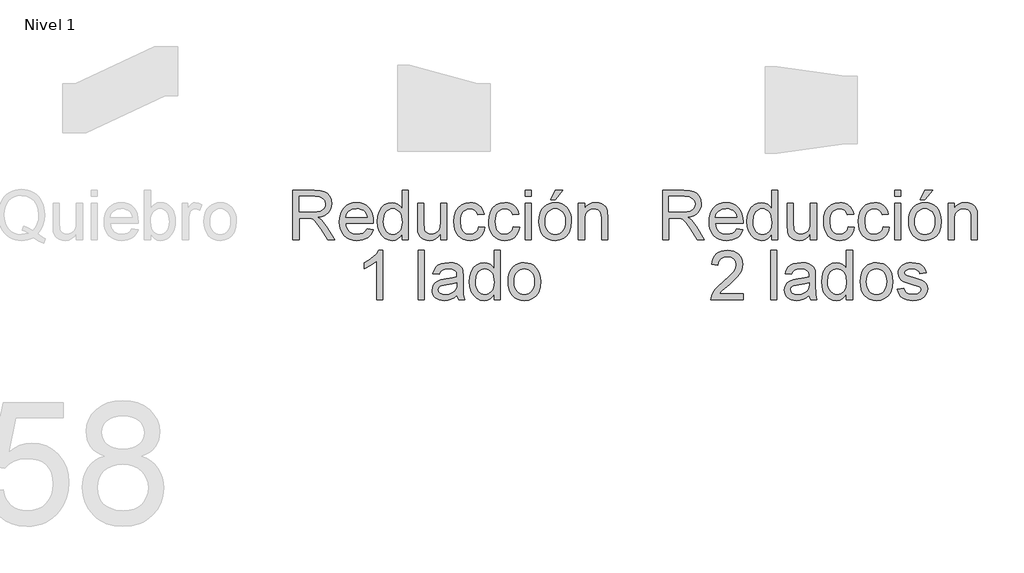
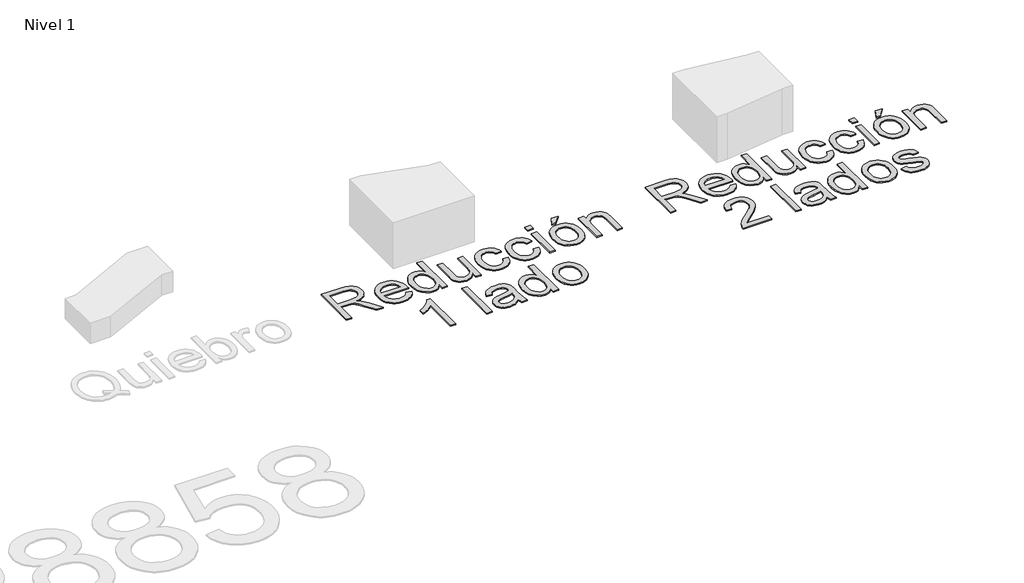
# One storey, part 7 of 8: 2 proxies.
"""IFC4 building model written with IfcOpenShell, lengths in millimetres."""

from ifc_helpers import new_model, si_unit, origin, origin_with_axes, place, context, project, spatial, polyline, outline, extrude, element, save

model = new_model("IFC4")

# Units and contexts
model_context = context("Model", 3, world=origin())
ifc_project = project(units=[si_unit("LENGTHUNIT", "METRE", prefix="MILLI")], contexts=[model_context])

# Site, building, storey
site = spatial("IfcSite", under=ifc_project)
building = spatial("IfcBuilding", under=site)
storey = spatial("IfcBuildingStorey", under=building, Name="Nivel 1", Elevation=0.0)

# Proxies
placement = place(None, origin())
element("IfcBuildingElementProxy", 1, Name="Texto de modelo 1", ObjectType="Texto de modelo 1", at=placement, inside=storey, context=model_context, shape_type="SweptSolid", body=[
    extrude(outline(polyline([(4273.8364183, -4316.3248037), (4273.8364183, -3914.4995631), (4446.9862107, -3914.4995631), (4493.5232831, -3917.2096271), (4527.3806894, -3925.3398192), (4552.126885, -3940.3494046), (4571.3303251, -3963.6976486), (4583.654372, -3992.6499616), (4587.7623876, -4024.4717542), (4586.0609333, -4045.1099341), (4580.9565707, -4064.0558569), (4572.4492995, -4081.3095224), (4560.5391199, -4096.8709308), (4545.0727477, -4110.2434414), (4525.8968987, -4120.9304133), (4503.0115729, -4128.9318467), (4476.4167704, -4134.2477415), (4504.9644132, -4155.7320501), (4545.6766873, -4207.4317331), (4612.6802614, -4316.3248037), (4554.3096515, -4316.3248037), (4502.0213572, -4233.03632), (4464.2521391, -4177.9030716), (4450.2113096, -4161.8266285), (4437.7155845, -4151.8570264), (4413.8277802, -4142.2920945), (4384.6915262, -4140.5262609), (4324.0645734, -4140.5262609), (4324.0645734, -4316.3248037), (4273.8364183, -4316.3248037)]), holes=[polyline([(4324.0645734, -4090.2981059), (4436.4893111, -4090.2981059), (4468.7770876, -4088.5200095), (4493.8298515, -4083.1857206), (4512.6899351, -4073.9396198), (4526.3996708, -4060.4260878), (4534.7505921, -4044.0798645), (4537.5342325, -4026.3356896), (4532.224469, -4001.8347488), (4516.2951786, -3982.0917483), (4504.133613, -3974.4949851), (4488.88797, -3969.0687257), (4449.1444518, -3964.7277182), (4324.0645734, -3964.7277182), (4324.0645734, -4090.2981059)])]), origin_with_axes(), (0.0, 0.0, 1.0), 10.0),
    extrude(outline(polyline([(4875.9856681, -4228.4255323), (4925.2328045, -4234.7040517), (4917.6820265, -4254.428658), (4907.4886296, -4271.8110823), (4894.6526136, -4286.8513245), (4879.1739787, -4299.5493847), (4861.2121403, -4309.6354827), (4840.9265139, -4316.8398385), (4793.3838974, -4322.6033231), (4762.218161, -4320.1170539), (4734.4492018, -4312.6582465), (4710.0770196, -4300.2269007), (4689.1016145, -4282.8230167), (4672.234225, -4260.9309723), (4660.1860897, -4235.0351455), (4652.9572085, -4205.1355363), (4650.5475814, -4171.2321448), (4652.9817339, -4136.179122), (4660.2841915, -4105.2831658), (4672.4549542, -4078.5442761), (4689.494022, -4055.962453), (4710.4142448, -4038.0220743), (4734.2284726, -4025.2075182), (4760.9367054, -4017.5187845), (4790.5389433, -4014.9558732), (4819.1877537, -4017.5126531), (4845.0958432, -4025.1829927), (4868.2632118, -4037.966892), (4888.6898596, -4055.8643511), (4905.3641111, -4078.3971233), (4917.2742906, -4105.0869621), (4924.4203984, -4135.9338674), (4926.8024343, -4170.9378392), (4926.5081287, -4184.4758966), (4700.7757365, -4184.4758966), (4703.6850699, -4204.519334), (4709.4700143, -4222.0734365), (4718.1305696, -4237.1382042), (4729.6667358, -4249.7136371), (4743.4408509, -4259.6280569), (4758.8152526, -4266.7097853), (4794.3649161, -4272.375168), (4821.0976744, -4269.7509431), (4843.6120525, -4261.8782684), (4861.9080504, -4248.2666346), (4875.9856681, -4228.4255323)]), holes=[polyline([(4700.7757365, -4134.2477415), (4876.5742792, -4134.2477415), (4869.7807251, -4107.711187), (4856.4633968, -4088.728476), (4842.7659239, -4078.4277801), (4827.17999, -4071.0701402), (4809.7055953, -4066.6555563), (4790.3427396, -4065.1840283), (4756.4853333, -4069.8806551), (4728.4895135, -4083.9705355), (4709.0285559, -4105.9330907), (4700.7757365, -4134.2477415)])]), origin_with_axes(), (0.0, 0.0, 1.0), 10.0),
    extrude(outline(polyline([(5159.1076515, -4316.3248037), (5159.1076515, -4268.9416027), (5144.079672, -4292.4186054), (5125.8756446, -4309.187893), (5104.4955694, -4319.2494656), (5079.9394462, -4322.6033231), (5047.4677287, -4317.7472807), (5017.7428635, -4303.1791537), (4992.5797351, -4279.9167489), (4973.7932278, -4248.9778731), (4962.0945804, -4211.6133251), (4958.1950312, -4169.0739038), (4961.7880121, -4127.0617799), (4972.5669545, -4089.1208835), (4990.5195959, -4057.4094555), (5015.6336734, -4034.085737), (5046.0084635, -4019.7383392), (5079.7432424, -4014.9558732), (5104.3177597, -4018.3771758), (5126.0473229, -4028.6410835), (5144.4659481, -4044.3741701), (5159.1076515, -4064.2030097), (5159.1076515, -3914.4995631), (5209.3358066, -3914.4995631), (5209.3358066, -4316.3248037), (5159.1076515, -4316.3248037)]), holes=[polyline([(5008.4231863, -4168.8777), (5009.839532, -4193.2345538), (5014.088569, -4214.3111264), (5021.1702974, -4232.1074179), (5031.0847172, -4246.6234283), (5055.7818618, -4265.9372331), (5069.6571444, -4270.7656843), (5084.5502339, -4272.375168), (5099.513834, -4270.8392607), (5113.3063431, -4266.2315387), (5137.3780884, -4247.8006507), (5146.8847723, -4233.8916456), (5153.6752607, -4216.7391476), (5159.1076515, -4172.7036728), (5153.5771589, -4124.5601823), (5146.6640431, -4106.0250612), (5136.9856809, -4091.1810226), (5125.2839678, -4079.8073376), (5112.300799, -4071.6832769), (5098.0361747, -4066.8088405), (5082.4900947, -4065.1840283), (5067.3026996, -4066.7444611), (5053.4274171, -4071.4257595), (5040.8642469, -4079.2279235), (5029.6131892, -4090.1509531), (5020.342563, -4104.4339715), (5013.720687, -4122.3161022), (5008.4231863, -4168.8777)])]), origin_with_axes(), (0.0, 0.0, 1.0), 10.0),
    extrude(outline(polyline([(5473.0336208, -4316.3248037), (5473.0336208, -4265.6061393), (5454.8602502, -4290.5424072), (5433.6947727, -4308.3540271), (5409.5371884, -4319.0409991), (5382.3874971, -4322.6033231), (5357.9233445, -4320.1017255), (5335.151449, -4312.5969328), (5316.0461107, -4301.3152183), (5302.5816297, -4287.4828553), (5293.5194698, -4270.6829108), (5287.6210952, -4250.498452), (5284.6780392, -4203.8019641), (5284.6780392, -4021.2343926), (5334.9061943, -4021.2343926), (5334.9061943, -4180.1594145), (5337.9473521, -4231.3685883), (5345.2682038, -4248.4505756), (5357.8129799, -4261.43681), (5374.7478144, -4269.6405785), (5395.2388415, -4272.375168), (5416.907091, -4269.5792648), (5437.177389, -4261.1915554), (5453.8914943, -4247.9845917), (5464.8911659, -4230.7309262), (5470.9980071, -4207.1006393), (5473.0336208, -4174.763812), (5473.0336208, -4021.2343926), (5523.2617758, -4021.2343926), (5523.2617758, -4316.3248037), (5473.0336208, -4316.3248037)])), origin_with_axes(), (0.0, 0.0, 1.0), 10.0),
    extrude(outline(polyline([(5780.6810706, -4209.5899742), (5830.9092257, -4215.8684935), (5825.446178, -4239.5692911), (5816.9051844, -4260.5416305), (5805.2862447, -4278.7855118), (5790.589359, -4294.3009349), (5773.4337953, -4306.6832297), (5754.4388216, -4315.527726), (5733.6044379, -4320.8344238), (5710.9306443, -4322.6033231), (5682.7600805, -4320.135448), (5657.5019159, -4312.7318229), (5635.1561503, -4300.3924476), (5615.722784, -4283.1173223), (5599.992763, -4261.2314092), (5588.7570337, -4235.059671), (5582.0155961, -4204.6021074), (5579.7684503, -4169.8587187), (5583.6066858, -4125.1610563), (5595.1213922, -4086.4230822), (5614.4965106, -4055.1408499), (5641.915982, -4032.8104127), (5674.7187932, -4019.4195081), (5710.2439312, -4014.9558732), (5732.5283831, -4016.4887149), (5752.6852508, -4021.0872398), (5770.7145342, -4028.7514481), (5786.6162334, -4039.4813396), (5800.1205684, -4053.0316597), (5810.9577588, -4069.1571539), (5819.1278048, -4087.857822), (5824.6307063, -4109.133664), (5774.4025512, -4115.4121834), (5765.2913405, -4093.4986792), (5751.1033582, -4077.790118), (5732.6234193, -4068.3355507), (5710.6363387, -4065.1840283), (5693.5696798, -4066.7352641), (5678.176884, -4071.3889713), (5664.4579513, -4079.14515), (5652.4128816, -4090.0038003), (5642.6057608, -4104.216308), (5635.6006744, -4122.0340593), (5631.3976226, -4143.4570542), (5629.9966054, -4168.4852926), (5635.4780471, -4215.5619252), (5642.3298493, -4233.4992382), (5651.9223723, -4247.7025489), (5663.7283186, -4258.4968197), (5677.2203908, -4266.2070132), (5692.3985888, -4270.8331293), (5709.2629126, -4272.375168), (5735.2721697, -4268.5246698), (5756.5970626, -4256.9731751), (5772.1094201, -4237.4263785), (5780.6810706, -4209.5899742)])), origin_with_axes(), (0.0, 0.0, 1.0), 10.0),
    extrude(outline(polyline([(6063.2144429, -4209.5899742), (6113.442598, -4215.8684935), (6107.9795503, -4239.5692911), (6099.4385567, -4260.5416305), (6087.819617, -4278.7855118), (6073.1227313, -4294.3009349), (6055.9671676, -4306.6832297), (6036.9721939, -4315.527726), (6016.1378102, -4320.8344238), (5993.4640166, -4322.6033231), (5965.2934528, -4320.135448), (5940.0352882, -4312.7318229), (5917.6895226, -4300.3924476), (5898.2561562, -4283.1173223), (5882.5261353, -4261.2314092), (5871.290406, -4235.059671), (5864.5489684, -4204.6021074), (5862.3018226, -4169.8587187), (5866.1400581, -4125.1610563), (5877.6547645, -4086.4230822), (5897.0298829, -4055.1408499), (5924.4493543, -4032.8104127), (5957.2521655, -4019.4195081), (5992.7773035, -4014.9558732), (6015.0617554, -4016.4887149), (6035.2186231, -4021.0872398), (6053.2479065, -4028.7514481), (6069.1496057, -4039.4813396), (6082.6539406, -4053.0316597), (6093.4911311, -4069.1571539), (6101.6611771, -4087.857822), (6107.1640786, -4109.133664), (6056.9359235, -4115.4121834), (6047.8247128, -4093.4986792), (6033.6367305, -4077.790118), (6015.1567916, -4068.3355507), (5993.169711, -4065.1840283), (5976.1030521, -4066.7352641), (5960.7102563, -4071.3889713), (5946.9913236, -4079.14515), (5934.9462539, -4090.0038003), (5925.139133, -4104.216308), (5918.1340467, -4122.0340593), (5913.9309949, -4143.4570542), (5912.5299777, -4168.4852926), (5918.0114194, -4215.5619252), (5924.8632216, -4233.4992382), (5934.4557446, -4247.7025489), (5946.2616909, -4258.4968197), (5959.7537631, -4266.2070132), (5974.9319611, -4270.8331293), (5991.7962849, -4272.375168), (6017.8055419, -4268.5246698), (6039.1304349, -4256.9731751), (6054.6427924, -4237.4263785), (6063.2144429, -4209.5899742)])), origin_with_axes(), (0.0, 0.0, 1.0), 10.0),
    extrude(outline(polyline([(6157.3922337, -3964.7277182), (6157.3922337, -3914.4995631), (6207.6203887, -3914.4995631), (6207.6203887, -3964.7277182), (6157.3922337, -3964.7277182)])), origin_with_axes(), (0.0, 0.0, 1.0), 10.0),
    extrude(outline(polyline([(6157.3922337, -4316.3248037), (6157.3922337, -4021.2343926), (6207.6203887, -4021.2343926), (6207.6203887, -4316.3248037), (6157.3922337, -4316.3248037)])), origin_with_axes(), (0.0, 0.0, 1.0), 10.0),
    extrude(outline(polyline([(6270.4055826, -4168.7795982), (6273.121778, -4130.5627902), (6281.2703642, -4097.6312203), (6294.8513411, -4069.9848884), (6313.8647089, -4047.6237944), (6333.0068354, -4033.3315789), (6354.1355247, -4023.1228535), (6377.2507767, -4016.9976183), (6402.3525915, -4014.9558732), (6430.0633028, -4017.4421424), (6455.1191323, -4024.9009498), (6477.5200802, -4037.3322956), (6497.2661463, -4054.7361797), (6513.3824433, -4076.5239908), (6524.8940841, -4102.1071179), (6531.8010686, -4131.4855609), (6534.1033967, -4164.6593198), (6530.0321693, -4215.4025097), (6517.8184871, -4254.0301192), (6497.8179693, -4282.9579067), (6470.3862351, -4304.6016308), (6437.8041531, -4318.1029), (6402.3525915, -4322.6033231), (6374.23721, -4320.126251), (6348.9483885, -4312.6950347), (6326.4861271, -4300.3096742), (6306.8504256, -4282.9701695), (6290.9058068, -4260.9708262), (6279.5167933, -4234.6059498), (6272.6833853, -4203.8755405), (6270.4055826, -4168.7795982)]), holes=[polyline([(6320.6337376, -4168.6814963), (6322.0868715, -4193.0444814), (6326.4462732, -4214.1394482), (6333.7119426, -4231.9663965), (6343.8838797, -4246.5253265), (6356.2569775, -4257.8346321), (6370.1261287, -4265.9127076), (6385.4913334, -4270.7595529), (6402.3525915, -4272.375168), (6419.1280105, -4270.7503559), (6434.4319015, -4265.8759194), (6448.2642645, -4257.7518587), (6460.6250995, -4246.3781737), (6470.7970367, -4231.6751566), (6478.0627061, -4213.5630997), (6482.4221078, -4192.042003), (6483.8752416, -4167.1118665), (6482.4129107, -4143.5214335), (6478.0259179, -4122.9782898), (6470.7142633, -4105.4824352), (6460.4779467, -4091.0338698), (6448.0711265, -4079.7245642), (6434.2479605, -4071.6464887), (6419.0084488, -4066.7996434), (6402.3525915, -4065.1840283), (6385.4913334, -4066.793512), (6370.1261287, -4071.6219632), (6356.2569775, -4079.6693819), (6343.8838797, -4090.935768), (6333.7119426, -4105.4517784), (6326.4462732, -4123.2480699), (6322.0868715, -4144.3246425), (6320.6337376, -4168.6814963)])]), origin_with_axes(), (0.0, 0.0, 1.0), 10.0),
    extrude(outline(polyline([(6364.5833733, -3989.8417957), (6402.2544896, -3914.4995631), (6465.0396835, -3914.4995631), (6402.2544896, -3989.8417957), (6364.5833733, -3989.8417957)])), origin_with_axes(), (0.0, 0.0, 1.0), 10.0),
    extrude(outline(polyline([(6590.6100712, -4316.3248037), (6590.6100712, -4021.2343926), (6640.8382262, -4021.2343926), (6640.8382262, -4062.4371761), (6658.2880956, -4041.6641061), (6679.2451065, -4026.826199), (6703.7092592, -4017.9234547), (6731.6805536, -4014.9558732), (6756.4390119, -4017.3471062), (6779.1128055, -4024.5208051), (6798.0219401, -4035.5817904), (6811.4864211, -4049.6348827), (6820.6221573, -4066.6432936), (6826.5450574, -4086.570235), (6829.1938078, -4135.1306583), (6829.1938078, -4316.3248037), (6778.9656527, -4316.3248037), (6778.9656527, -4141.899687), (6777.5186502, -4115.9272182), (6773.1776426, -4097.459542), (6765.1700779, -4084.2280529), (6752.7234037, -4073.9641453), (6736.7695879, -4067.3790576), (6718.240598, -4065.1840283), (6688.8223012, -4070.1136471), (6663.7450118, -4084.9025033), (6653.7232931, -4096.9751641), (6646.5649226, -4113.4746716), (6642.2699003, -4134.4010257), (6640.8382262, -4159.7542265), (6640.8382262, -4316.3248037), (6590.6100712, -4316.3248037)])), origin_with_axes(), (0.0, 0.0, 1.0), 10.0),
    extrude(outline(polyline([(5002.1446669, -4804.2240751), (4951.9165119, -4804.2240751), (4951.9165119, -4491.0829208), (4930.9472381, -4508.0422808), (4904.3371071, -4524.9771153), (4851.4602017, -4550.3364475), (4851.4602017, -4502.8551446), (4890.9094143, -4481.3953616), (4925.0856517, -4455.8643511), (4952.0268765, -4428.7146599), (4969.7710514, -4402.3988345), (5002.1446669, -4402.3988345), (5002.1446669, -4804.2240751)])), origin_with_axes(), (0.0, 0.0, 1.0), 10.0),
    extrude(outline(polyline([(5290.9565586, -4804.2240751), (5290.9565586, -4402.3988345), (5341.1847137, -4402.3988345), (5341.1847137, -4804.2240751), (5290.9565586, -4804.2240751)])), origin_with_axes(), (0.0, 0.0, 1.0), 10.0),
    extrude(outline(polyline([(5604.8825278, -4766.5529588), (5580.884359, -4787.129825), (5556.1749517, -4800.5943061), (5530.1902201, -4808.0255224), (5502.3660785, -4810.5025945), (5480.0019189, -4809.0126724), (5460.3907429, -4804.5429061), (5443.5325504, -4797.0932957), (5429.4273416, -4786.6638412), (5418.2897142, -4773.91673), (5410.334266, -4759.5141499), (5405.5609972, -4743.4561008), (5403.9699075, -4725.7425828), (5406.3734032, -4704.9204618), (5413.5838903, -4686.0113273), (5424.7061893, -4669.8245195), (5438.8451207, -4657.1693789), (5455.4611241, -4647.604447), (5474.0146394, -4640.6882655), (5517.4737658, -4633.1344219), (5568.8300923, -4625.1881708), (5604.5882222, -4615.8684935), (5604.8825278, -4604.6848809), (5601.4244371, -4582.2686047), (5591.0501648, -4567.6023758), (5567.8490736, -4556.7130687), (5535.524509, -4553.0832997), (5505.6034401, -4555.4990581), (5484.7077427, -4562.7463334), (5470.4584468, -4576.1495008), (5460.476582, -4597.0329354), (5410.2484269, -4590.754416), (5418.9672302, -4563.2858937), (5431.9779901, -4541.7034833), (5450.4947172, -4525.1978445), (5475.7314221, -4512.9596368), (5506.5967215, -4505.3812677), (5541.9992321, -4502.8551446), (5575.9547403, -4505.0869621), (5602.8714396, -4511.7824144), (5623.166263, -4521.8501183), (5637.2561434, -4534.1986906), (5646.6003461, -4549.4657934), (5652.6581363, -4568.2890888), (5655.1106829, -4612.2387245), (5655.1106829, -4674.7296128), (5657.6613314, -4761.991222), (5667.6677217, -4804.2240751), (5617.4395666, -4804.2240751), (5609.3952136, -4786.761943), (5604.8825278, -4766.5529588)]), holes=[polyline([(5604.8825278, -4666.0966486), (5571.1354861, -4674.4598326), (5523.850387, -4681.4986415), (5480.6365153, -4689.6410963), (5469.391589, -4695.2083772), (5461.0651932, -4702.8848481), (5455.9148452, -4712.081898), (5454.1980626, -4722.2109156), (5457.9381962, -4737.1469246), (5469.1585971, -4749.3851323), (5487.6140105, -4757.5521126), (5513.0591818, -4760.2744394), (5540.0371948, -4757.2700698), (5563.8759481, -4748.2569609), (5583.2020156, -4734.9764209), (5596.6419711, -4719.1697578), (5602.6016595, -4702.8848481), (5604.5882222, -4680.3214191), (5604.8825278, -4666.0966486)])]), origin_with_axes(), (0.0, 0.0, 1.0), 10.0),
    extrude(outline(polyline([(5906.2514583, -4804.2240751), (5906.2514583, -4756.8408741), (5891.2234788, -4780.3178768), (5873.0194514, -4797.0871644), (5851.6393761, -4807.1487369), (5827.0832529, -4810.5025945), (5794.6115355, -4805.6465521), (5764.8866703, -4791.0784251), (5739.7235418, -4767.8160203), (5720.9370346, -4736.8771445), (5709.2383871, -4699.5125965), (5705.338838, -4656.9731751), (5708.9318188, -4614.9610513), (5719.7107613, -4577.0201549), (5737.6634026, -4545.3087269), (5762.7774802, -4521.9850084), (5793.1522702, -4507.6376106), (5826.8870492, -4502.8551446), (5851.4615665, -4506.2764472), (5873.1911296, -4516.5403548), (5891.6097549, -4532.2734415), (5906.2514583, -4552.102281), (5906.2514583, -4402.3988345), (5956.4796134, -4402.3988345), (5956.4796134, -4804.2240751), (5906.2514583, -4804.2240751)]), holes=[polyline([(5755.5669931, -4656.7769714), (5756.9833387, -4681.1338252), (5761.2323758, -4702.2103978), (5768.3141042, -4720.0066893), (5778.228524, -4734.5226997), (5802.9256686, -4753.8365045), (5816.8009512, -4758.6649557), (5831.6940406, -4760.2744394), (5846.6576407, -4758.7385321), (5860.4501499, -4754.1308101), (5884.5218951, -4735.6999221), (5894.028579, -4721.790917), (5900.8190675, -4704.638419), (5906.2514583, -4660.6029442), (5900.7209656, -4612.4594537), (5893.8078498, -4593.9243325), (5884.1294876, -4579.080294), (5872.4277745, -4567.706609), (5859.4446058, -4559.5825483), (5845.1799814, -4554.7081118), (5829.6339014, -4553.0832997), (5814.4465064, -4554.6437325), (5800.5712238, -4559.3250309), (5788.0080537, -4567.1271949), (5776.756996, -4578.0502244), (5767.4863697, -4592.3332429), (5760.8644938, -4610.2153736), (5755.5669931, -4656.7769714)])]), origin_with_axes(), (0.0, 0.0, 1.0), 10.0),
    extrude(outline(polyline([(6019.2648072, -4656.6788695), (6021.9810026, -4618.4620616), (6030.1295888, -4585.5304917), (6043.7105658, -4557.8841597), (6062.7239336, -4535.5230658), (6081.86606, -4521.2308503), (6102.9947493, -4511.0221249), (6126.1100013, -4504.8968897), (6151.2118161, -4502.8551446), (6178.9225274, -4505.3414138), (6203.978357, -4512.8002212), (6226.3793048, -4525.231567), (6246.1253709, -4542.635451), (6262.241668, -4564.4232622), (6273.7533087, -4590.0063893), (6280.6602932, -4619.3848323), (6282.9626213, -4652.5585912), (6278.8913939, -4703.3017811), (6266.6777117, -4741.9293906), (6246.6771939, -4770.8571781), (6219.2454598, -4792.5009022), (6186.6633777, -4806.0021714), (6151.2118161, -4810.5025945), (6123.0964347, -4808.0255224), (6097.8076132, -4800.5943061), (6075.3453517, -4788.2089456), (6055.7096502, -4770.8694408), (6039.7650314, -4748.8700975), (6028.3760179, -4722.5052212), (6021.5426099, -4691.7748119), (6019.2648072, -4656.6788695)]), holes=[polyline([(6069.4929623, -4656.5807677), (6070.9460962, -4680.9437528), (6075.3054978, -4702.0387195), (6082.5711672, -4719.8656679), (6092.7431044, -4734.4245979), (6105.1162021, -4745.7339035), (6118.9853534, -4753.811979), (6134.350558, -4758.6588243), (6151.2118161, -4760.2744394), (6167.9872351, -4758.6496272), (6183.2911261, -4753.7751908), (6197.1234891, -4745.6511301), (6209.4843242, -4734.2774451), (6219.6562613, -4719.574428), (6226.9219307, -4701.4623711), (6231.2813324, -4679.9412744), (6232.7344663, -4655.0111378), (6231.2721353, -4631.4207049), (6226.8851425, -4610.8775611), (6219.5734879, -4593.3817066), (6209.3371714, -4578.9331412), (6196.9303511, -4567.6238356), (6183.1071851, -4559.5457601), (6167.8676735, -4554.6989148), (6151.2118161, -4553.0832997), (6134.350558, -4554.6927834), (6118.9853534, -4559.5212346), (6105.1162021, -4567.5686533), (6092.7431044, -4578.8350394), (6082.5711672, -4593.3510498), (6075.3054978, -4611.1473413), (6070.9460962, -4632.2239139), (6069.4929623, -4656.5807677)])]), origin_with_axes(), (0.0, 0.0, 1.0), 10.0),
])
element("IfcBuildingElementProxy", 2, Name="Texto de modelo 1", ObjectType="Texto de modelo 1", at=placement, inside=storey, context=model_context, shape_type="SweptSolid", body=[
    extrude(outline(polyline([(7273.8364183, -4316.3248037), (7273.8364183, -3914.4995631), (7446.9862107, -3914.4995631), (7493.5232831, -3917.2096271), (7527.3806894, -3925.3398192), (7552.126885, -3940.3494046), (7571.3303251, -3963.6976486), (7583.654372, -3992.6499616), (7587.7623876, -4024.4717542), (7586.0609333, -4045.1099341), (7580.9565707, -4064.0558569), (7572.4492995, -4081.3095224), (7560.5391199, -4096.8709308), (7545.0727477, -4110.2434414), (7525.8968987, -4120.9304133), (7503.0115729, -4128.9318467), (7476.4167704, -4134.2477415), (7504.9644132, -4155.7320501), (7545.6766873, -4207.4317331), (7612.6802614, -4316.3248037), (7554.3096515, -4316.3248037), (7502.0213572, -4233.03632), (7464.2521391, -4177.9030716), (7450.2113096, -4161.8266285), (7437.7155845, -4151.8570264), (7413.8277802, -4142.2920945), (7384.6915262, -4140.5262609), (7324.0645734, -4140.5262609), (7324.0645734, -4316.3248037), (7273.8364183, -4316.3248037)]), holes=[polyline([(7324.0645734, -4090.2981059), (7436.4893111, -4090.2981059), (7468.7770876, -4088.5200095), (7493.8298515, -4083.1857206), (7512.6899351, -4073.9396198), (7526.3996708, -4060.4260878), (7534.7505921, -4044.0798645), (7537.5342325, -4026.3356896), (7532.224469, -4001.8347488), (7516.2951786, -3982.0917483), (7504.133613, -3974.4949851), (7488.88797, -3969.0687257), (7449.1444518, -3964.7277182), (7324.0645734, -3964.7277182), (7324.0645734, -4090.2981059)])]), origin_with_axes(), (0.0, 0.0, 1.0), 10.0),
    extrude(outline(polyline([(7875.9856681, -4228.4255323), (7925.2328045, -4234.7040517), (7917.6820265, -4254.428658), (7907.4886296, -4271.8110823), (7894.6526136, -4286.8513245), (7879.1739787, -4299.5493847), (7861.2121403, -4309.6354827), (7840.9265139, -4316.8398385), (7793.3838974, -4322.6033231), (7762.218161, -4320.1170539), (7734.4492018, -4312.6582465), (7710.0770196, -4300.2269007), (7689.1016145, -4282.8230167), (7672.234225, -4260.9309723), (7660.1860897, -4235.0351455), (7652.9572085, -4205.1355363), (7650.5475814, -4171.2321448), (7652.9817339, -4136.179122), (7660.2841915, -4105.2831658), (7672.4549542, -4078.5442761), (7689.494022, -4055.962453), (7710.4142448, -4038.0220743), (7734.2284726, -4025.2075182), (7760.9367054, -4017.5187845), (7790.5389433, -4014.9558732), (7819.1877537, -4017.5126531), (7845.0958432, -4025.1829927), (7868.2632118, -4037.966892), (7888.6898596, -4055.8643511), (7905.3641111, -4078.3971233), (7917.2742906, -4105.0869621), (7924.4203984, -4135.9338674), (7926.8024343, -4170.9378392), (7926.5081287, -4184.4758966), (7700.7757365, -4184.4758966), (7703.6850699, -4204.519334), (7709.4700143, -4222.0734365), (7718.1305696, -4237.1382042), (7729.6667358, -4249.7136371), (7743.4408509, -4259.6280569), (7758.8152526, -4266.7097853), (7794.3649161, -4272.375168), (7821.0976744, -4269.7509431), (7843.6120525, -4261.8782684), (7861.9080504, -4248.2666346), (7875.9856681, -4228.4255323)]), holes=[polyline([(7700.7757365, -4134.2477415), (7876.5742792, -4134.2477415), (7869.7807251, -4107.711187), (7856.4633968, -4088.728476), (7842.7659239, -4078.4277801), (7827.17999, -4071.0701402), (7809.7055953, -4066.6555563), (7790.3427396, -4065.1840283), (7756.4853333, -4069.8806551), (7728.4895135, -4083.9705355), (7709.0285559, -4105.9330907), (7700.7757365, -4134.2477415)])]), origin_with_axes(), (0.0, 0.0, 1.0), 10.0),
    extrude(outline(polyline([(8159.1076515, -4316.3248037), (8159.1076515, -4268.9416027), (8144.079672, -4292.4186054), (8125.8756446, -4309.187893), (8104.4955694, -4319.2494656), (8079.9394462, -4322.6033231), (8047.4677287, -4317.7472807), (8017.7428635, -4303.1791537), (7992.5797351, -4279.9167489), (7973.7932278, -4248.9778731), (7962.0945804, -4211.6133251), (7958.1950312, -4169.0739038), (7961.7880121, -4127.0617799), (7972.5669545, -4089.1208835), (7990.5195959, -4057.4094555), (8015.6336734, -4034.085737), (8046.0084635, -4019.7383392), (8079.7432424, -4014.9558732), (8104.3177597, -4018.3771758), (8126.0473229, -4028.6410835), (8144.4659481, -4044.3741701), (8159.1076515, -4064.2030097), (8159.1076515, -3914.4995631), (8209.3358066, -3914.4995631), (8209.3358066, -4316.3248037), (8159.1076515, -4316.3248037)]), holes=[polyline([(8008.4231863, -4168.8777), (8009.839532, -4193.2345538), (8014.088569, -4214.3111264), (8021.1702974, -4232.1074179), (8031.0847172, -4246.6234283), (8055.7818618, -4265.9372331), (8069.6571444, -4270.7656843), (8084.5502339, -4272.375168), (8099.513834, -4270.8392607), (8113.3063431, -4266.2315387), (8137.3780884, -4247.8006507), (8146.8847723, -4233.8916456), (8153.6752607, -4216.7391476), (8159.1076515, -4172.7036728), (8153.5771589, -4124.5601823), (8146.6640431, -4106.0250612), (8136.9856809, -4091.1810226), (8125.2839678, -4079.8073376), (8112.300799, -4071.6832769), (8098.0361747, -4066.8088405), (8082.4900947, -4065.1840283), (8067.3026996, -4066.7444611), (8053.4274171, -4071.4257595), (8040.8642469, -4079.2279235), (8029.6131892, -4090.1509531), (8020.342563, -4104.4339715), (8013.720687, -4122.3161022), (8008.4231863, -4168.8777)])]), origin_with_axes(), (0.0, 0.0, 1.0), 10.0),
    extrude(outline(polyline([(8473.0336208, -4316.3248037), (8473.0336208, -4265.6061393), (8454.8602502, -4290.5424072), (8433.6947727, -4308.3540271), (8409.5371884, -4319.0409991), (8382.3874971, -4322.6033231), (8357.9233445, -4320.1017255), (8335.151449, -4312.5969328), (8316.0461107, -4301.3152183), (8302.5816297, -4287.4828553), (8293.5194698, -4270.6829108), (8287.6210952, -4250.498452), (8284.6780392, -4203.8019641), (8284.6780392, -4021.2343926), (8334.9061943, -4021.2343926), (8334.9061943, -4180.1594145), (8337.9473521, -4231.3685883), (8345.2682038, -4248.4505756), (8357.8129799, -4261.43681), (8374.7478144, -4269.6405785), (8395.2388415, -4272.375168), (8416.907091, -4269.5792648), (8437.177389, -4261.1915554), (8453.8914943, -4247.9845917), (8464.8911659, -4230.7309262), (8470.9980071, -4207.1006393), (8473.0336208, -4174.763812), (8473.0336208, -4021.2343926), (8523.2617758, -4021.2343926), (8523.2617758, -4316.3248037), (8473.0336208, -4316.3248037)])), origin_with_axes(), (0.0, 0.0, 1.0), 10.0),
    extrude(outline(polyline([(8780.6810706, -4209.5899742), (8830.9092257, -4215.8684935), (8825.446178, -4239.5692911), (8816.9051844, -4260.5416305), (8805.2862447, -4278.7855118), (8790.589359, -4294.3009349), (8773.4337953, -4306.6832297), (8754.4388216, -4315.527726), (8733.6044379, -4320.8344238), (8710.9306443, -4322.6033231), (8682.7600805, -4320.135448), (8657.5019159, -4312.7318229), (8635.1561503, -4300.3924476), (8615.722784, -4283.1173223), (8599.992763, -4261.2314092), (8588.7570337, -4235.059671), (8582.0155961, -4204.6021074), (8579.7684503, -4169.8587187), (8583.6066858, -4125.1610563), (8595.1213922, -4086.4230822), (8614.4965106, -4055.1408499), (8641.915982, -4032.8104127), (8674.7187932, -4019.4195081), (8710.2439312, -4014.9558732), (8732.5283831, -4016.4887149), (8752.6852508, -4021.0872398), (8770.7145342, -4028.7514481), (8786.6162334, -4039.4813396), (8800.1205684, -4053.0316597), (8810.9577588, -4069.1571539), (8819.1278048, -4087.857822), (8824.6307063, -4109.133664), (8774.4025512, -4115.4121834), (8765.2913405, -4093.4986792), (8751.1033582, -4077.790118), (8732.6234193, -4068.3355507), (8710.6363387, -4065.1840283), (8693.5696798, -4066.7352641), (8678.176884, -4071.3889713), (8664.4579513, -4079.14515), (8652.4128816, -4090.0038003), (8642.6057608, -4104.216308), (8635.6006744, -4122.0340593), (8631.3976226, -4143.4570542), (8629.9966054, -4168.4852926), (8635.4780471, -4215.5619252), (8642.3298493, -4233.4992382), (8651.9223723, -4247.7025489), (8663.7283186, -4258.4968197), (8677.2203908, -4266.2070132), (8692.3985888, -4270.8331293), (8709.2629126, -4272.375168), (8735.2721697, -4268.5246698), (8756.5970626, -4256.9731751), (8772.1094201, -4237.4263785), (8780.6810706, -4209.5899742)])), origin_with_axes(), (0.0, 0.0, 1.0), 10.0),
    extrude(outline(polyline([(9063.2144429, -4209.5899742), (9113.442598, -4215.8684935), (9107.9795503, -4239.5692911), (9099.4385567, -4260.5416305), (9087.819617, -4278.7855118), (9073.1227313, -4294.3009349), (9055.9671676, -4306.6832297), (9036.9721939, -4315.527726), (9016.1378102, -4320.8344238), (8993.4640166, -4322.6033231), (8965.2934528, -4320.135448), (8940.0352882, -4312.7318229), (8917.6895226, -4300.3924476), (8898.2561562, -4283.1173223), (8882.5261353, -4261.2314092), (8871.290406, -4235.059671), (8864.5489684, -4204.6021074), (8862.3018226, -4169.8587187), (8866.1400581, -4125.1610563), (8877.6547645, -4086.4230822), (8897.0298829, -4055.1408499), (8924.4493543, -4032.8104127), (8957.2521655, -4019.4195081), (8992.7773035, -4014.9558732), (9015.0617554, -4016.4887149), (9035.2186231, -4021.0872398), (9053.2479065, -4028.7514481), (9069.1496057, -4039.4813396), (9082.6539406, -4053.0316597), (9093.4911311, -4069.1571539), (9101.6611771, -4087.857822), (9107.1640786, -4109.133664), (9056.9359235, -4115.4121834), (9047.8247128, -4093.4986792), (9033.6367305, -4077.790118), (9015.1567916, -4068.3355507), (8993.169711, -4065.1840283), (8976.1030521, -4066.7352641), (8960.7102563, -4071.3889713), (8946.9913236, -4079.14515), (8934.9462539, -4090.0038003), (8925.139133, -4104.216308), (8918.1340467, -4122.0340593), (8913.9309949, -4143.4570542), (8912.5299777, -4168.4852926), (8918.0114194, -4215.5619252), (8924.8632216, -4233.4992382), (8934.4557446, -4247.7025489), (8946.2616909, -4258.4968197), (8959.7537631, -4266.2070132), (8974.9319611, -4270.8331293), (8991.7962849, -4272.375168), (9017.8055419, -4268.5246698), (9039.1304349, -4256.9731751), (9054.6427924, -4237.4263785), (9063.2144429, -4209.5899742)])), origin_with_axes(), (0.0, 0.0, 1.0), 10.0),
    extrude(outline(polyline([(9157.3922337, -3964.7277182), (9157.3922337, -3914.4995631), (9207.6203887, -3914.4995631), (9207.6203887, -3964.7277182), (9157.3922337, -3964.7277182)])), origin_with_axes(), (0.0, 0.0, 1.0), 10.0),
    extrude(outline(polyline([(9157.3922337, -4316.3248037), (9157.3922337, -4021.2343926), (9207.6203887, -4021.2343926), (9207.6203887, -4316.3248037), (9157.3922337, -4316.3248037)])), origin_with_axes(), (0.0, 0.0, 1.0), 10.0),
    extrude(outline(polyline([(9270.4055826, -4168.7795982), (9273.121778, -4130.5627902), (9281.2703642, -4097.6312203), (9294.8513411, -4069.9848884), (9313.8647089, -4047.6237944), (9333.0068354, -4033.3315789), (9354.1355247, -4023.1228535), (9377.2507767, -4016.9976183), (9402.3525915, -4014.9558732), (9430.0633028, -4017.4421424), (9455.1191323, -4024.9009498), (9477.5200802, -4037.3322956), (9497.2661463, -4054.7361797), (9513.3824433, -4076.5239908), (9524.8940841, -4102.1071179), (9531.8010686, -4131.4855609), (9534.1033967, -4164.6593198), (9530.0321693, -4215.4025097), (9517.8184871, -4254.0301192), (9497.8179693, -4282.9579067), (9470.3862351, -4304.6016308), (9437.8041531, -4318.1029), (9402.3525915, -4322.6033231), (9374.23721, -4320.126251), (9348.9483885, -4312.6950347), (9326.4861271, -4300.3096742), (9306.8504256, -4282.9701695), (9290.9058068, -4260.9708262), (9279.5167933, -4234.6059498), (9272.6833853, -4203.8755405), (9270.4055826, -4168.7795982)]), holes=[polyline([(9320.6337376, -4168.6814963), (9322.0868715, -4193.0444814), (9326.4462732, -4214.1394482), (9333.7119426, -4231.9663965), (9343.8838797, -4246.5253265), (9356.2569775, -4257.8346321), (9370.1261287, -4265.9127076), (9385.4913334, -4270.7595529), (9402.3525915, -4272.375168), (9419.1280105, -4270.7503559), (9434.4319015, -4265.8759194), (9448.2642645, -4257.7518587), (9460.6250995, -4246.3781737), (9470.7970367, -4231.6751566), (9478.0627061, -4213.5630997), (9482.4221078, -4192.042003), (9483.8752416, -4167.1118665), (9482.4129107, -4143.5214335), (9478.0259179, -4122.9782898), (9470.7142633, -4105.4824352), (9460.4779467, -4091.0338698), (9448.0711265, -4079.7245642), (9434.2479605, -4071.6464887), (9419.0084488, -4066.7996434), (9402.3525915, -4065.1840283), (9385.4913334, -4066.793512), (9370.1261287, -4071.6219632), (9356.2569775, -4079.6693819), (9343.8838797, -4090.935768), (9333.7119426, -4105.4517784), (9326.4462732, -4123.2480699), (9322.0868715, -4144.3246425), (9320.6337376, -4168.6814963)])]), origin_with_axes(), (0.0, 0.0, 1.0), 10.0),
    extrude(outline(polyline([(9364.5833733, -3989.8417957), (9402.2544896, -3914.4995631), (9465.0396835, -3914.4995631), (9402.2544896, -3989.8417957), (9364.5833733, -3989.8417957)])), origin_with_axes(), (0.0, 0.0, 1.0), 10.0),
    extrude(outline(polyline([(9590.6100712, -4316.3248037), (9590.6100712, -4021.2343926), (9640.8382262, -4021.2343926), (9640.8382262, -4062.4371761), (9658.2880956, -4041.6641061), (9679.2451065, -4026.826199), (9703.7092592, -4017.9234547), (9731.6805536, -4014.9558732), (9756.4390119, -4017.3471062), (9779.1128055, -4024.5208051), (9798.0219401, -4035.5817904), (9811.4864211, -4049.6348827), (9820.6221573, -4066.6432936), (9826.5450574, -4086.570235), (9829.1938078, -4135.1306583), (9829.1938078, -4316.3248037), (9778.9656527, -4316.3248037), (9778.9656527, -4141.899687), (9777.5186502, -4115.9272182), (9773.1776426, -4097.459542), (9765.1700779, -4084.2280529), (9752.7234037, -4073.9641453), (9736.7695879, -4067.3790576), (9718.240598, -4065.1840283), (9688.8223012, -4070.1136471), (9663.7450118, -4084.9025033), (9653.7232931, -4096.9751641), (9646.5649226, -4113.4746716), (9642.2699003, -4134.4010257), (9640.8382262, -4159.7542265), (9640.8382262, -4316.3248037), (9590.6100712, -4316.3248037)])), origin_with_axes(), (0.0, 0.0, 1.0), 10.0),
    extrude(outline(polyline([(7929.941694, -4753.99592), (7929.941694, -4804.2240751), (7666.2438799, -4804.2240751), (7667.3475259, -4786.5412138), (7671.6394825, -4769.5941166), (7684.024843, -4742.5302645), (7702.1491626, -4716.2757528), (7728.3668861, -4688.7949677), (7765.0324583, -4658.0522957), (7819.2337389, -4609.9088052), (7851.7545073, -4574.3714045), (7868.0148915, -4545.5294561), (7873.4350196, -4517.4723226), (7868.3214598, -4492.3214568), (7852.9807806, -4471.4134968), (7829.3995447, -4457.3236164), (7799.5643149, -4452.6269896), (7768.2330317, -4457.2132518), (7743.8915063, -4470.9720384), (7728.1829451, -4492.8242289), (7722.7505543, -4521.6907028), (7672.5223993, -4515.4121834), (7676.841947, -4489.4826341), (7684.6992933, -4466.8272346), (7696.0944381, -4447.4459848), (7711.0273814, -4431.3388848), (7729.1547667, -4418.6776128), (7750.1332375, -4409.633847), (7773.9627937, -4404.2075876), (7800.6434354, -4402.3988345), (7827.5632004, -4404.4099227), (7851.5215154, -4410.4431874), (7872.5183802, -4420.4986286), (7890.5537951, -4434.5762463), (7905.0391486, -4451.6337082), (7915.3858297, -4470.6286818), (7921.5938384, -4491.5611674), (7923.6631746, -4514.4311647), (7921.4313572, -4538.453859), (7914.7359049, -4562.0596204), (7902.8533164, -4586.0700519), (7885.0600906, -4611.3067568), (7856.6963888, -4641.4362922), (7813.1023723, -4680.1252154), (7755.3203736, -4728.4403841), (7732.6588427, -4753.99592), (7929.941694, -4753.99592)])), origin_with_axes(), (0.0, 0.0, 1.0), 10.0),
    extrude(outline(polyline([(8149.6898725, -4804.2240751), (8149.6898725, -4402.3988345), (8199.9180275, -4402.3988345), (8199.9180275, -4804.2240751), (8149.6898725, -4804.2240751)])), origin_with_axes(), (0.0, 0.0, 1.0), 10.0),
    extrude(outline(polyline([(8463.6158417, -4766.5529588), (8439.6176729, -4787.129825), (8414.9082655, -4800.5943061), (8388.9235339, -4808.0255224), (8361.0993924, -4810.5025945), (8338.7352327, -4809.0126724), (8319.1240567, -4804.5429061), (8302.2658643, -4797.0932957), (8288.1606554, -4786.6638412), (8277.023028, -4773.91673), (8269.0675799, -4759.5141499), (8264.294311, -4743.4561008), (8262.7032214, -4725.7425828), (8265.1067171, -4704.9204618), (8272.3172042, -4686.0113273), (8283.4395032, -4669.8245195), (8297.5784345, -4657.1693789), (8314.194438, -4647.604447), (8332.7479533, -4640.6882655), (8376.2070796, -4633.1344219), (8427.5634062, -4625.1881708), (8463.3215361, -4615.8684935), (8463.6158417, -4604.6848809), (8460.1577509, -4582.2686047), (8449.7834787, -4567.6023758), (8426.5823875, -4556.7130687), (8394.2578229, -4553.0832997), (8364.3367539, -4555.4990581), (8343.4410566, -4562.7463334), (8329.1917606, -4576.1495008), (8319.2098958, -4597.0329354), (8268.9817408, -4590.754416), (8277.7005441, -4563.2858937), (8290.7113039, -4541.7034833), (8309.228031, -4525.1978445), (8334.4647359, -4512.9596368), (8365.3300353, -4505.3812677), (8400.732546, -4502.8551446), (8434.6880541, -4505.0869621), (8461.6047534, -4511.7824144), (8481.8995768, -4521.8501183), (8495.9894573, -4534.1986906), (8505.3336599, -4549.4657934), (8511.3914501, -4568.2890888), (8513.8439968, -4612.2387245), (8513.8439968, -4674.7296128), (8516.3946453, -4761.991222), (8526.4010355, -4804.2240751), (8476.1728805, -4804.2240751), (8468.1285275, -4786.761943), (8463.6158417, -4766.5529588)]), holes=[polyline([(8463.6158417, -4666.0966486), (8429.8688, -4674.4598326), (8382.5837009, -4681.4986415), (8339.3698292, -4689.6410963), (8328.1249029, -4695.2083772), (8319.798507, -4702.8848481), (8314.6481591, -4712.081898), (8312.9313765, -4722.2109156), (8316.6715101, -4737.1469246), (8327.8919109, -4749.3851323), (8346.3473244, -4757.5521126), (8371.7924957, -4760.2744394), (8398.7705087, -4757.2700698), (8422.609262, -4748.2569609), (8441.9353294, -4734.9764209), (8455.375285, -4719.1697578), (8461.3349733, -4702.8848481), (8463.3215361, -4680.3214191), (8463.6158417, -4666.0966486)])]), origin_with_axes(), (0.0, 0.0, 1.0), 10.0),
    extrude(outline(polyline([(8764.9847721, -4804.2240751), (8764.9847721, -4756.8408741), (8749.9567926, -4780.3178768), (8731.7527652, -4797.0871644), (8710.3726899, -4807.1487369), (8685.8165668, -4810.5025945), (8653.3448493, -4805.6465521), (8623.6199841, -4791.0784251), (8598.4568556, -4767.8160203), (8579.6703484, -4736.8771445), (8567.971701, -4699.5125965), (8564.0721518, -4656.9731751), (8567.6651327, -4614.9610513), (8578.4440751, -4577.0201549), (8596.3967165, -4545.3087269), (8621.510794, -4521.9850084), (8651.8855841, -4507.6376106), (8685.620363, -4502.8551446), (8710.1948803, -4506.2764472), (8731.9244435, -4516.5403548), (8750.3430687, -4532.2734415), (8764.9847721, -4552.102281), (8764.9847721, -4402.3988345), (8815.2129272, -4402.3988345), (8815.2129272, -4804.2240751), (8764.9847721, -4804.2240751)]), holes=[polyline([(8614.3003069, -4656.7769714), (8615.7166526, -4681.1338252), (8619.9656896, -4702.2103978), (8627.047418, -4720.0066893), (8636.9618378, -4734.5226997), (8661.6589824, -4753.8365045), (8675.534265, -4758.6649557), (8690.4273544, -4760.2744394), (8705.3909546, -4758.7385321), (8719.1834637, -4754.1308101), (8743.2552089, -4735.6999221), (8752.7618928, -4721.790917), (8759.5523813, -4704.638419), (8764.9847721, -4660.6029442), (8759.4542795, -4612.4594537), (8752.5411636, -4593.9243325), (8742.8628015, -4579.080294), (8731.1610884, -4567.706609), (8718.1779196, -4559.5825483), (8703.9132952, -4554.7081118), (8688.3672153, -4553.0832997), (8673.1798202, -4554.6437325), (8659.3045376, -4559.3250309), (8646.7413675, -4567.1271949), (8635.4903098, -4578.0502244), (8626.2196835, -4592.3332429), (8619.5978076, -4610.2153736), (8614.3003069, -4656.7769714)])]), origin_with_axes(), (0.0, 0.0, 1.0), 10.0),
    extrude(outline(polyline([(8877.998121, -4656.6788695), (8880.7143164, -4618.4620616), (8888.8629026, -4585.5304917), (8902.4438796, -4557.8841597), (8921.4572474, -4535.5230658), (8940.5993739, -4521.2308503), (8961.7280632, -4511.0221249), (8984.8433152, -4504.8968897), (9009.94513, -4502.8551446), (9037.6558413, -4505.3414138), (9062.7116708, -4512.8002212), (9085.1126186, -4525.231567), (9104.8586847, -4542.635451), (9120.9749818, -4564.4232622), (9132.4866226, -4590.0063893), (9139.393607, -4619.3848323), (9141.6959352, -4652.5585912), (9137.6247078, -4703.3017811), (9125.4110255, -4741.9293906), (9105.4105077, -4770.8571781), (9077.9787736, -4792.5009022), (9045.3966916, -4806.0021714), (9009.94513, -4810.5025945), (8981.8297485, -4808.0255224), (8956.540927, -4800.5943061), (8934.0786655, -4788.2089456), (8914.442964, -4770.8694408), (8898.4983452, -4748.8700975), (8887.1093318, -4722.5052212), (8880.2759237, -4691.7748119), (8877.998121, -4656.6788695)]), holes=[polyline([(8928.2262761, -4656.5807677), (8929.67941, -4680.9437528), (8934.0388116, -4702.0387195), (8941.3044811, -4719.8656679), (8951.4764182, -4734.4245979), (8963.849516, -4745.7339035), (8977.7186672, -4753.811979), (8993.0838719, -4758.6588243), (9009.94513, -4760.2744394), (9026.720549, -4758.6496272), (9042.02444, -4753.7751908), (9055.856803, -4745.6511301), (9068.217638, -4734.2774451), (9078.3895752, -4719.574428), (9085.6552446, -4701.4623711), (9090.0146462, -4679.9412744), (9091.4677801, -4655.0111378), (9090.0054492, -4631.4207049), (9085.6184564, -4610.8775611), (9078.3068017, -4593.3817066), (9068.0704852, -4578.9331412), (9055.6636649, -4567.6238356), (9041.840499, -4559.5457601), (9026.6009873, -4554.6989148), (9009.94513, -4553.0832997), (8993.0838719, -4554.6927834), (8977.7186672, -4559.5212346), (8963.849516, -4567.5686533), (8951.4764182, -4578.8350394), (8941.3044811, -4593.3510498), (8934.0388116, -4611.1473413), (8929.67941, -4632.2239139), (8928.2262761, -4656.5807677)])]), origin_with_axes(), (0.0, 0.0, 1.0), 10.0),
    extrude(outline(polyline([(9179.3670515, -4716.3248037), (9229.5952066, -4710.0462843), (9237.5169322, -4731.5305928), (9252.8453487, -4747.3249932), (9275.6785578, -4757.0370778), (9306.1146616, -4760.2744394), (9336.1828833, -4757.306858), (9357.3238353, -4748.4041137), (9369.8318231, -4735.5037184), (9374.0011524, -4720.5431839), (9369.8072977, -4707.7408905), (9357.2257334, -4697.9797549), (9305.5260504, -4683.6568825), (9229.8895122, -4659.0823652), (9210.7473857, -4646.7337929), (9196.8782345, -4630.3875696), (9188.4537368, -4611.0860276), (9185.6455709, -4589.8714992), (9187.9019138, -4570.4105417), (9194.6709425, -4552.4456376), (9205.3395204, -4536.6880254), (9219.2945107, -4523.8489438), (9251.2266679, -4508.9865112), (9272.1101025, -4504.3879863), (9294.4405396, -4502.8551446), (9327.1329862, -4505.319954), (9355.5580017, -4512.7143821), (9378.4157364, -4524.3149277), (9394.4063404, -4539.3980895), (9405.0013419, -4559.0797762), (9411.6722687, -4584.4758966), (9361.4441136, -4590.754416), (9355.1042806, -4574.9477529), (9342.5595046, -4563.040639), (9323.6871582, -4555.5726345), (9298.3646142, -4553.0832997), (9269.5226658, -4555.4622699), (9250.2947002, -4562.5991806), (9239.4789695, -4572.8998765), (9235.873726, -4584.7702022), (9241.8579397, -4599.3873802), (9260.595396, -4610.4728909), (9303.8583187, -4621.1659943), (9377.5818705, -4644.8085438), (9397.0550908, -4656.1147838), (9411.8194215, -4671.5903531), (9421.126836, -4691.2843026), (9424.2293075, -4715.2456832), (9420.5872757, -4740.0164042), (9409.6611805, -4763.3155972), (9391.8679546, -4783.316115), (9367.6245312, -4798.1908104), (9338.3411243, -4807.4246484), (9305.4279485, -4810.5025945), (9278.3947532, -4809.0188037), (9254.7828605, -4804.5674316), (9234.5922703, -4797.148478), (9217.8229827, -4786.761943), (9204.1255098, -4773.4568775), (9193.1503636, -4757.2823325), (9184.8975442, -4738.2383079), (9179.3670515, -4716.3248037)])), origin_with_axes(), (0.0, 0.0, 1.0), 10.0),
])

save(model, "model.ifc")
